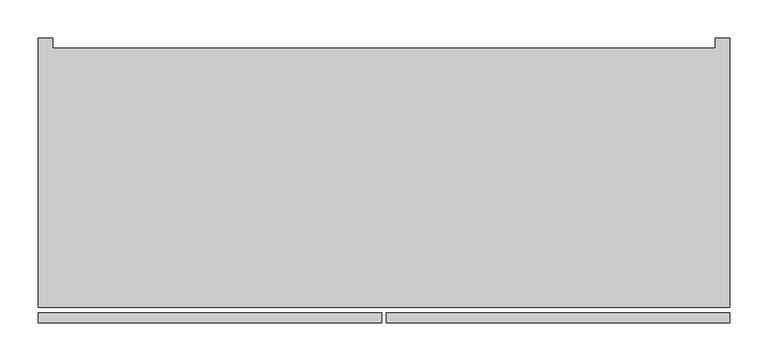
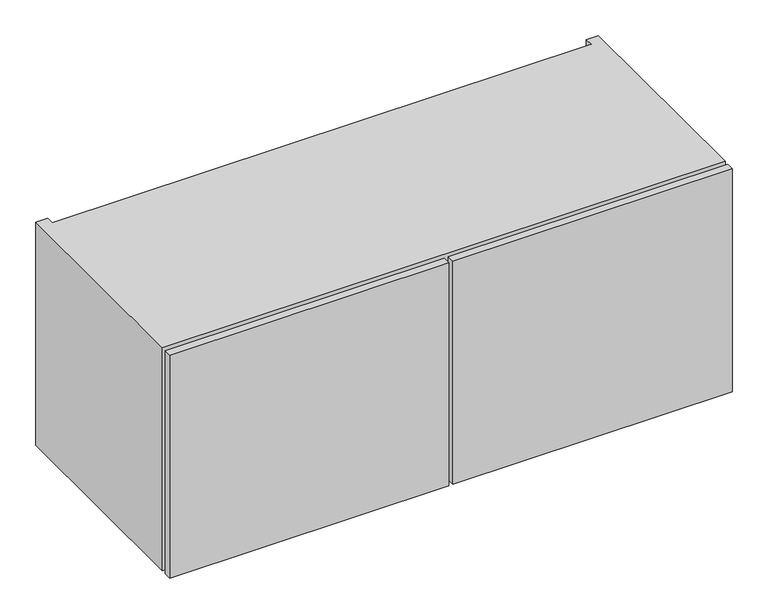
"""IFC4 building model written with IfcOpenShell, lengths in millimetres: furniture geometry."""

from ifc_helpers import new_model, si_unit, frame, origin, place, context, project, spatial, polyline, outline, extrude, faceted_brep, source, transform, mapped, element, save


def furniture_5ddc337a(model_context):
    return source(origin(), model_context, "Body", "SolidModel", [
        extrude(outline(polyline([(-5.715, -215.8273724), (-457.2, -215.8273724), (-457.2, -203.1273724), (-5.715, -203.1273724), (-5.715, -215.8273724)])), frame((0.0, 0.0, 381.0), z_axis=(0.0, 0.0, 1.0), x_axis=(1.0, 0.0, 0.0)), (0.0, 0.0, 1.0), 381.0),
        extrude(outline(polyline([(452.12, -215.8273724), (0.635, -215.8273724), (0.635, -203.1273724), (452.12, -203.1273724), (452.12, -215.8273724)])), frame((0.0, 0.0, 381.0), z_axis=(0.0, 0.0, 1.0), x_axis=(1.0, 0.0, 0.0)), (0.0, 0.0, 1.0), 381.0),
        extrude(outline(polyline([(432.816, 145.5282676), (432.816, 126.2242676), (-437.896, 126.2242676), (-437.896, 145.5282676), (432.816, 145.5282676)])), frame((0.0, 0.0, 400.304), z_axis=(0.0, 0.0, 1.0), x_axis=(1.0, 0.0, 0.0)), (0.0, 0.0, 1.0), 342.392),
        faceted_brep([(-457.2, -195.5073724, 762.0), (-457.2, -195.5073724, 381.0), (452.12, -195.5073724, 381.0), (452.12, -195.5073724, 762.0), (-437.896, -195.5073724, 742.696), (432.816, -195.5073724, 742.696), (432.816, -195.5073724, 400.304), (-437.896, -195.5073724, 400.304), (432.816, 145.5282676, 742.696), (-437.896, 145.5282676, 742.696), (-437.896, 145.5282676, 762.0), (432.816, 145.5282676, 762.0), (432.816, 145.5282676, 381.0), (-437.896, 145.5282676, 381.0), (-437.896, 145.5282676, 400.304), (432.816, 145.5282676, 400.304), (452.12, 158.8226276, 762.0), (432.816, 158.8226276, 762.0), (-437.896, 158.8226276, 762.0), (-457.2, 158.8226276, 762.0), (-457.2, 158.8226276, 381.0), (-437.896, 158.8226276, 381.0), (432.816, 158.8226276, 381.0), (452.12, 158.8226276, 381.0)], [[[0, 1, 2, 3], [4, 5, 6, 7]], [[8, 9, 10, 11]], [[12, 13, 14, 15]], [[0, 3, 16, 17, 11, 10, 18, 19]], [[5, 4, 9, 8]], [[7, 6, 15, 14]], [[2, 1, 20, 21, 13, 12, 22, 23]], [[19, 18, 21, 20]], [[0, 19, 20, 1]], [[21, 18, 10, 9, 4, 7, 14, 13]], [[17, 22, 12, 15, 6, 5, 8, 11]], [[16, 3, 2, 23]], [[17, 16, 23, 22]]]),
    ])


if __name__ == "__main__":
    model = new_model("IFC4")
    model_context = context("Model", 3, world=origin())
    ifc_project = project(units=[si_unit("LENGTHUNIT", "METRE", prefix="MILLI")], contexts=[model_context])
    site = spatial("IfcSite", under=ifc_project)
    building = spatial("IfcBuilding", under=site)
    placement = place(None, origin())
    furniture_shape = furniture_5ddc337a(model_context)
    element("IfcFurniture", 1, at=placement, inside=building, context=model_context, shape_type="MappedRepresentation", body=[
        mapped(furniture_shape, transform((0.0, 0.0, 0.0), x_axis=(1.0, 0.0, 0.0), y_axis=(0.0, 1.0, 0.0), z_axis=(0.0, 0.0, 1.0))),
    ])
    save(model, "model.ifc")
